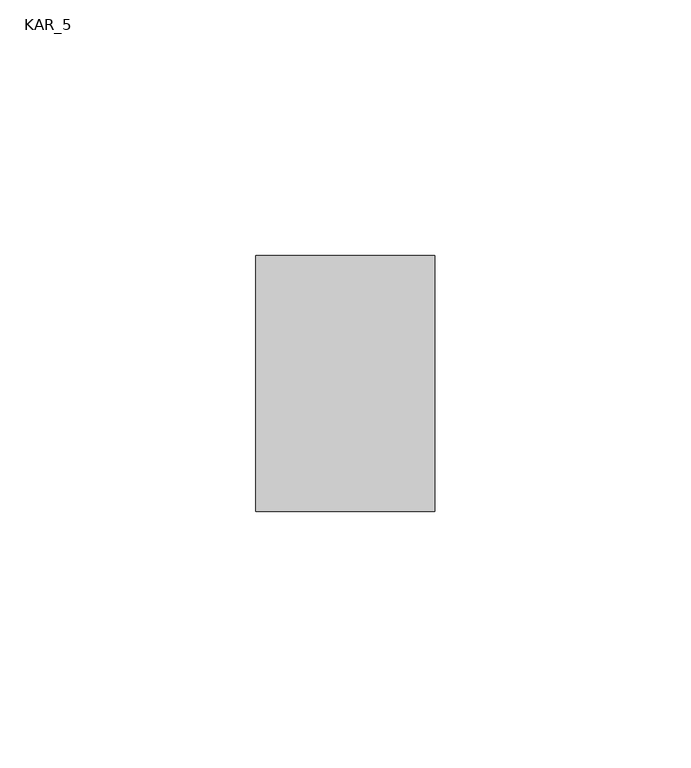
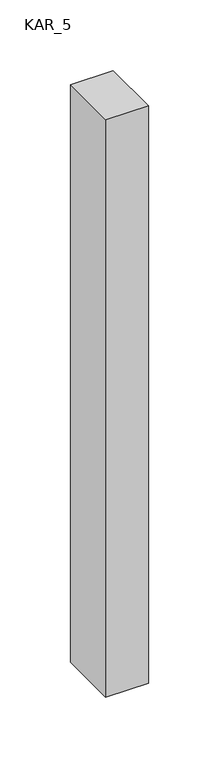
"""IFC4 building model written with IfcOpenShell, lengths in millimetres: proxy geometry, KAR_5."""

from ifc_helpers import new_model, si_unit, frame, origin, place, context, project, spatial, polyline, outline, extrude, source, transform, mapped, element, save


def kar_5_ef557710(model_context):
    return source(origin(), model_context, "Body", "SweptSolid", [
        extrude(outline(polyline([(35.0, 50.0), (35.0, 0.0), (0.0, 0.0), (0.0, 50.0), (35.0, 50.0)])), frame((0.0, 0.0, 2000.0), z_axis=(0.0, 0.0, 1.0), x_axis=(1.0, 0.0, 0.0)), (0.0, 0.0, 1.0), 500.0),
    ])


if __name__ == "__main__":
    model = new_model("IFC4")
    model_context = context("Model", 3, world=origin())
    ifc_project = project(units=[si_unit("LENGTHUNIT", "METRE", prefix="MILLI")], contexts=[model_context])
    site = spatial("IfcSite", under=ifc_project)
    building = spatial("IfcBuilding", under=site)
    placement = place(None, origin())
    kar_5_shape = kar_5_ef557710(model_context)
    element("IfcBuildingElementProxy", 1, Name="KAR_5", ObjectType="KAR_5", at=placement, inside=building, context=model_context, shape_type="MappedRepresentation", body=[
        mapped(kar_5_shape, transform((0.0, 0.0, 0.0), x_axis=(1.0, 0.0, 0.0), y_axis=(0.0, 1.0, 0.0), z_axis=(0.0, 0.0, 1.0))),
    ])
    save(model, "model.ifc")
